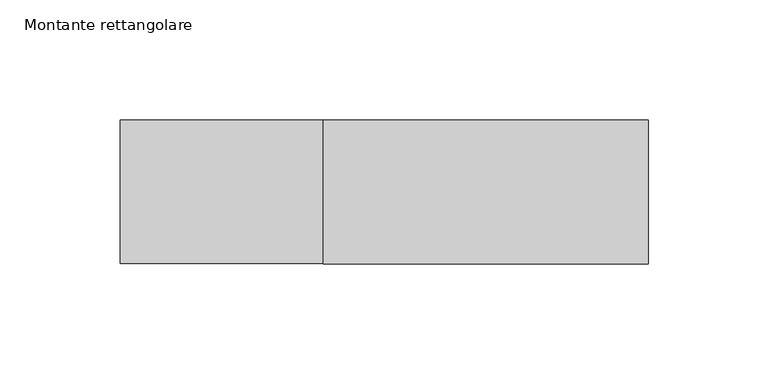
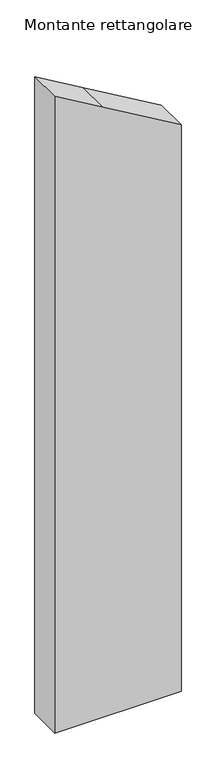
"""IFC4 building model written with IfcOpenShell, lengths in millimetres: member geometry, Montante rettangolare."""

from ifc_helpers import new_model, si_unit, frame, origin, place, context, project, spatial, polyline, outline, extrude, source, transform, mapped, element, save


def montante_rettangolare_d1d4cbc0(model_context):
    return source(origin(), model_context, "Body", "SweptSolid", [
        extrude(outline(polyline([(-72.824557, 110.0), (6.918542, -25.3769181), (56.7653466, -110.0), (-1116.3950643, -110.0), (-1116.3950643, 110.0), (-72.824557, 110.0)])), frame((0.0, -30.0, 0.0), z_axis=(0.0, 1.0, 0.0), x_axis=(0.0, 0.0, 1.0)), (0.0, 0.0, 1.0), 60.0),
    ])


if __name__ == "__main__":
    model = new_model("IFC4")
    model_context = context("Model", 3, world=origin())
    ifc_project = project(units=[si_unit("LENGTHUNIT", "METRE", prefix="MILLI")], contexts=[model_context])
    site = spatial("IfcSite", under=ifc_project)
    building = spatial("IfcBuilding", under=site)
    placement = place(None, origin())
    montante_rettangolare_shape = montante_rettangolare_d1d4cbc0(model_context)
    element("IfcMember", 1, ObjectType="Montante rettangolare", at=placement, inside=building, context=model_context, shape_type="MappedRepresentation", body=[
        mapped(montante_rettangolare_shape, transform((0.0, 0.0, 0.0), x_axis=(1.0, 0.0, 0.0), y_axis=(0.0, 1.0, 0.0), z_axis=(0.0, 0.0, 1.0))),
    ])
    save(model, "model.ifc")
